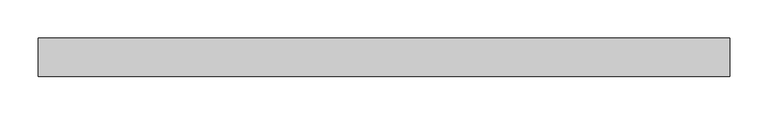
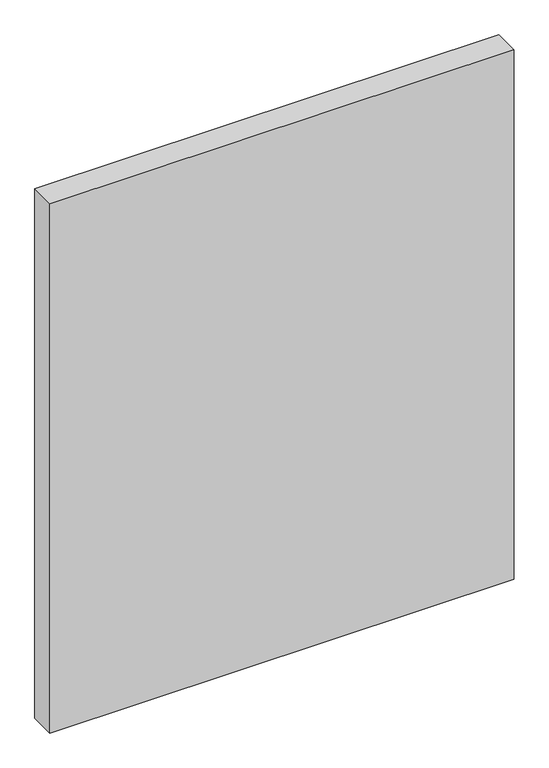
"""IFC4 building model written with IfcOpenShell, lengths in millimetres: plate geometry."""

from ifc_helpers import new_model, si_unit, origin, origin_with_axes, place, context, project, spatial, polyline, outline, extrude, source, transform, mapped, element, save


def plate_eb32b48a(model_context):
    return source(origin(), model_context, "Body", "SweptSolid", [
        extrude(outline(polyline([(450.0, -25.0), (-450.0, -25.0), (-450.0, 25.0), (450.0, 25.0), (450.0, -25.0)])), origin_with_axes(), (0.0, 0.0, 1.0), 1085.0),
    ])


if __name__ == "__main__":
    model = new_model("IFC4")
    model_context = context("Model", 3, world=origin())
    ifc_project = project(units=[si_unit("LENGTHUNIT", "METRE", prefix="MILLI")], contexts=[model_context])
    site = spatial("IfcSite", under=ifc_project)
    building = spatial("IfcBuilding", under=site)
    placement = place(None, origin())
    plate_shape = plate_eb32b48a(model_context)
    element("IfcPlate", 1, at=placement, inside=building, context=model_context, shape_type="MappedRepresentation", body=[
        mapped(plate_shape, transform((0.0, 0.0, 0.0), x_axis=(1.0, 0.0, 0.0), y_axis=(0.0, 1.0, 0.0), z_axis=(0.0, 0.0, 1.0))),
    ])
    save(model, "model.ifc")
